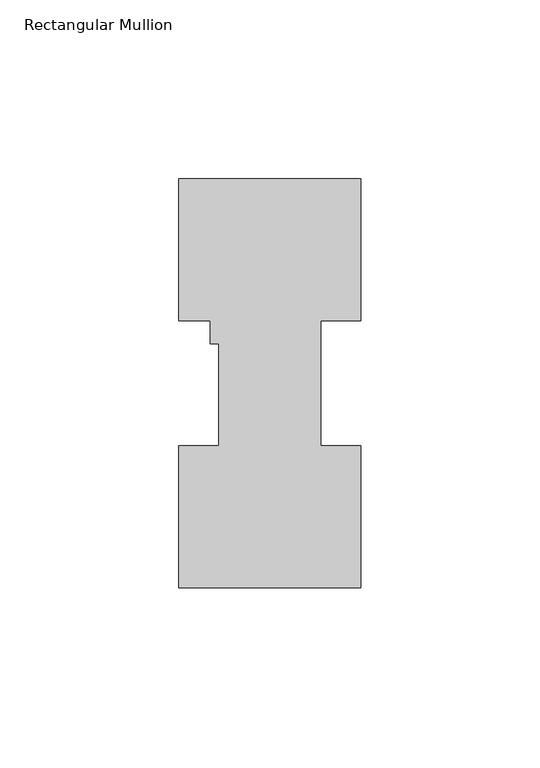
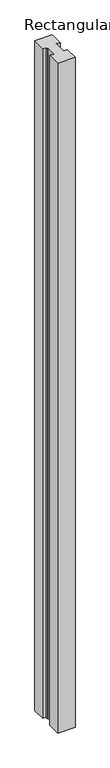
"""IFC4 building model written with IfcOpenShell, lengths in millimetres: member geometry, Rectangular Mullion."""

from ifc_helpers import new_model, si_unit, frame, origin, place, context, project, spatial, polyline, outline, extrude, source, transform, mapped, element, save


def rectangular_mullion_e412b342(model_context):
    return source(origin(), model_context, "Body", "SweptSolid", [
        extrude(outline(polyline([(25.4, 114.2714251), (25.4, 74.596625), (14.2874997, 74.596625), (14.2874997, 39.646225), (25.3999997, 39.646225), (25.3999997, -0.0285749), (-25.4, -0.0285749), (-25.4, 39.6462251), (-14.2875003, 39.6462251), (-14.2875003, 68.246625), (-16.6624003, 68.246625), (-16.6624003, 74.5966251), (-25.4, 74.5966251), (-25.4, 114.2714251), (25.4, 114.2714251)])), frame((0.0, 0.0, -2060.575), z_axis=(0.0, 0.0, 1.0), x_axis=(1.0, 0.0, 0.0)), (0.0, 0.0, 1.0), 2060.575),
    ])


if __name__ == "__main__":
    model = new_model("IFC4")
    model_context = context("Model", 3, world=origin())
    ifc_project = project(units=[si_unit("LENGTHUNIT", "METRE", prefix="MILLI")], contexts=[model_context])
    site = spatial("IfcSite", under=ifc_project)
    building = spatial("IfcBuilding", under=site)
    placement = place(None, origin())
    rectangular_mullion_shape = rectangular_mullion_e412b342(model_context)
    element("IfcMember", 1, ObjectType="Rectangular Mullion", at=placement, inside=building, context=model_context, shape_type="MappedRepresentation", body=[
        mapped(rectangular_mullion_shape, transform((0.0, 0.0, 0.0), x_axis=(1.0, 0.0, 0.0), y_axis=(0.0, 1.0, 0.0), z_axis=(0.0, 0.0, 1.0))),
    ])
    save(model, "model.ifc")
